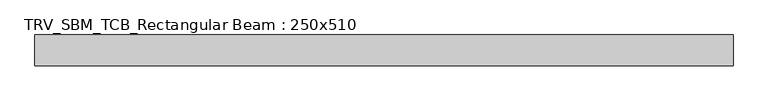
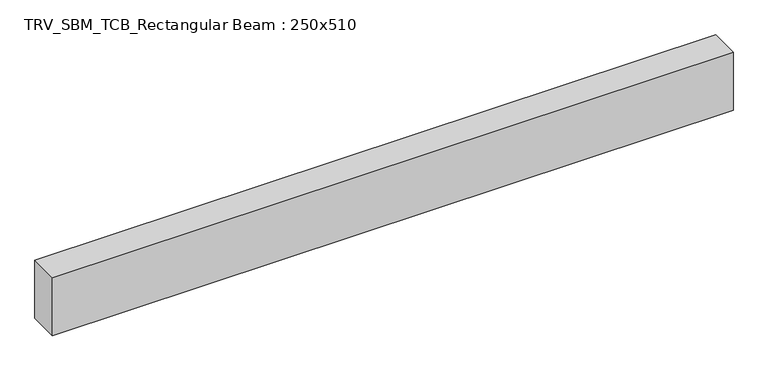
"""IFC4 building model written with IfcOpenShell, lengths in millimetres: beam geometry, TRV_SBM_TCB_Rectangular Beam : 250x510."""

from ifc_helpers import new_model, si_unit, frame, origin, place, context, project, spatial, polyline, outline, extrude, source, transform, mapped, element, save


def trv_sbm_tcb_rectangular_beam_250x510_d9bae259(model_context):
    return source(origin(), model_context, "Body", "SweptSolid", [
        extrude(outline(polyline([(2825.7, 125.0), (2825.7, -125.0), (-2825.7, -125.0), (-2825.7, 125.0), (2825.7, 125.0)])), frame((0.0, 0.0, -255.0), z_axis=(0.0, 0.0, 1.0), x_axis=(1.0, 0.0, 0.0)), (0.0, 0.0, 1.0), 510.0),
    ])


if __name__ == "__main__":
    model = new_model("IFC4")
    model_context = context("Model", 3, world=origin())
    ifc_project = project(units=[si_unit("LENGTHUNIT", "METRE", prefix="MILLI")], contexts=[model_context])
    site = spatial("IfcSite", under=ifc_project)
    building = spatial("IfcBuilding", under=site)
    placement = place(None, origin())
    trv_sbm_tcb_rectangular_beam_250x510_shape = trv_sbm_tcb_rectangular_beam_250x510_d9bae259(model_context)
    element("IfcBeam", 1, ObjectType="TRV_SBM_TCB_Rectangular Beam : 250x510", at=placement, inside=building, context=model_context, shape_type="MappedRepresentation", body=[
        mapped(trv_sbm_tcb_rectangular_beam_250x510_shape, transform((0.0, 0.0, 0.0), x_axis=(1.0, 0.0, 0.0), y_axis=(0.0, 1.0, 0.0), z_axis=(0.0, 0.0, 1.0))),
    ])
    save(model, "model.ifc")
